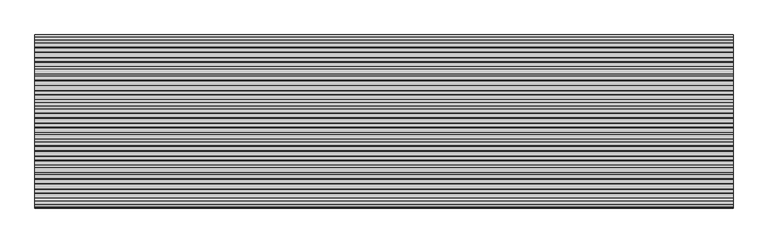
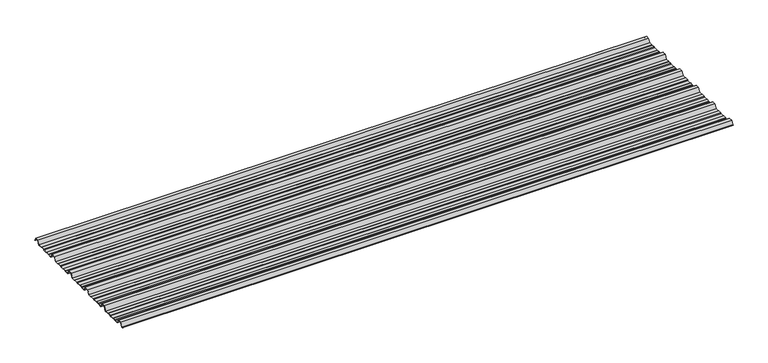
"""IFC4 building model written with IfcOpenShell, lengths in millimetres: beam geometry."""

from ifc_helpers import new_model, si_unit, point, frame, frame_2d, origin, place, context, project, spatial, polyline, circle_curve, trimmed, segment, composite_curve, outline, extrude, source, transform, mapped, element, save


def beam_8242c3f3(model_context):
    return source(origin(), model_context, "Body", "SweptSolid", [
        extrude(outline(composite_curve([segment(polyline([(-41.155409, -25.7896475), (-45.2820109, -23.7896475), (-62.8888461, -23.7896475), (-66.1530101, -25.7896475), (-88.4400183, -25.7896475), (-91.4814768, -23.7896475), (-107.1472807, -23.7896475), (-110.1909225, -25.7896475), (-130.513361, -25.7896475), (-142.4987169, -4.7896475), (-161.4999361, -4.7896475), (-173.513361, -25.7896475), (-193.155409, -25.7896475), (-197.2820109, -23.7896475), (-214.8888461, -23.7896475), (-218.1530101, -25.7896475), (-240.4400183, -25.7896475), (-243.4814768, -23.7896475), (-259.1472807, -23.7896475), (-262.1909225, -25.7896475), (-282.513361, -25.7896475), (-294.4987169, -4.7896475), (-313.4999361, -4.7896475), (-325.513361, -25.7896475), (-345.155409, -25.7896475), (-349.2820109, -23.7896475), (-366.8888461, -23.7896475), (-370.1530101, -25.7896475), (-392.4400183, -25.7896475), (-395.4814768, -23.7896475), (-411.1472807, -23.7896475), (-414.1909225, -25.7896475), (-434.513361, -25.7896475), (-446.4987169, -4.7896475), (-465.4999361, -4.7896475), (-477.513361, -25.7896475), (-497.155409, -25.7896475), (-501.2820109, -23.7896475), (-518.8888461, -23.7896475), (-522.1530101, -25.7896475), (-544.4400183, -25.7896475), (-547.4814768, -23.7896475), (-563.1472807, -23.7896475), (-566.1909225, -25.7896475), (-586.513361, -25.7896475), (-598.4987169, -4.7896475), (-617.4999361, -4.7896475), (-629.513361, -25.7896475), (-649.155409, -25.7896475), (-653.2820109, -23.7896475), (-670.8888461, -23.7896475), (-674.1530101, -25.7896475), (-696.4400183, -25.7896475), (-699.4814768, -23.7896475), (-715.1472807, -23.7896475), (-718.1909225, -25.7896475), (-738.513361, -25.7896475), (-750.4987169, -4.7896475), (-769.4999361, -4.7896475), (-780.3692253, -23.7896475), (-783.804755, -23.7896475)]), True, "CONTINUOUS"), segment(trimmed(circle_curve(frame_2d((-783.804755, -23.2896475)), 0.5), [point((-783.804755, -23.7896475))], [point((-783.804755, -22.7896475))], False, "CARTESIAN"), True, "CONTINUOUS"), segment(polyline([(-783.804755, -22.7896475), (-780.8686157, -22.7896475), (-769.9993265, -3.7896475), (-749.9993265, -3.7896475), (-738.0139706, -24.7896475), (-718.4900736, -24.7896475), (-715.4464317, -22.7896475), (-699.1821463, -22.7896475), (-696.1406878, -24.7896475), (-674.4350053, -24.7896475), (-671.1708413, -22.7896475), (-653.0524511, -22.7896475), (-648.9258491, -24.7896475), (-630.0127514, -24.7896475), (-617.9993265, -3.7896475), (-597.9993265, -3.7896475), (-586.0139706, -24.7896475), (-566.4900736, -24.7896475), (-563.4464317, -22.7896475), (-547.1821463, -22.7896475), (-544.1406878, -24.7896475), (-522.4350053, -24.7896475), (-519.1708413, -22.7896475), (-501.0524511, -22.7896475), (-496.9258491, -24.7896475), (-478.0127514, -24.7896475), (-465.9993265, -3.7896475), (-445.9993265, -3.7896475), (-434.0139706, -24.7896475), (-414.4900736, -24.7896475), (-411.4464317, -22.7896475), (-395.1821463, -22.7896475), (-392.1406878, -24.7896475), (-370.4350053, -24.7896475), (-367.1708413, -22.7896475), (-349.0524511, -22.7896475), (-344.9258491, -24.7896475), (-326.0127514, -24.7896475), (-313.9993265, -3.7896475), (-293.9993265, -3.7896475), (-282.0139706, -24.7896475), (-262.4900736, -24.7896475), (-259.4464317, -22.7896475), (-243.1821463, -22.7896475), (-240.1406878, -24.7896475), (-218.4350053, -24.7896475), (-215.1708413, -22.7896475), (-197.0524511, -22.7896475), (-192.9258491, -24.7896475), (-174.0127514, -24.7896475), (-161.9993265, -3.7896475), (-141.9993265, -3.7896475), (-130.0139706, -24.7896475), (-110.4900736, -24.7896475), (-107.4464317, -22.7896475), (-91.1821463, -22.7896475), (-88.1406878, -24.7896475), (-66.4350053, -24.7896475), (-63.1708413, -22.7896475), (-45.0524511, -22.7896475), (-40.9258491, -24.7896475), (-19.7086146, -24.7896475), (-8.8393254, -5.7896475), (8.8393254, -5.7896475), (16.8315702, -19.793165)]), True, "CONTINUOUS"), segment(trimmed(circle_curve(frame_2d((16.4279743, -20.0235098)), 0.4647024), [point((16.8315702, -19.793165))], [point((16.0243785, -20.2538545))], False, "CARTESIAN"), True, "CONTINUOUS"), segment(polyline([(16.0243785, -20.2538545), (8.339935, -6.7896475), (-8.339935, -6.7896475), (-19.2092242, -25.7896475), (-41.155409, -25.7896475)]), True, "CONTINUOUS")], self_intersect=False)), frame((-1615.4201823, 0.0, 0.0), z_axis=(1.0, 0.0, 0.0), x_axis=(0.0, 1.0, 0.0)), (0.0, 0.0, 1.0), 3230.8403647),
    ])


if __name__ == "__main__":
    model = new_model("IFC4")
    model_context = context("Model", 3, world=origin())
    ifc_project = project(units=[si_unit("LENGTHUNIT", "METRE", prefix="MILLI")], contexts=[model_context])
    site = spatial("IfcSite", under=ifc_project)
    building = spatial("IfcBuilding", under=site)
    placement = place(None, origin())
    beam_shape = beam_8242c3f3(model_context)
    element("IfcBeam", 1, at=placement, inside=building, context=model_context, shape_type="MappedRepresentation", body=[
        mapped(beam_shape, transform((0.0, 0.0, 0.0), x_axis=(1.0, 0.0, 0.0), y_axis=(0.0, 1.0, 0.0), z_axis=(0.0, 0.0, 1.0))),
    ])
    save(model, "model.ifc")
